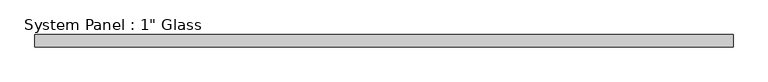
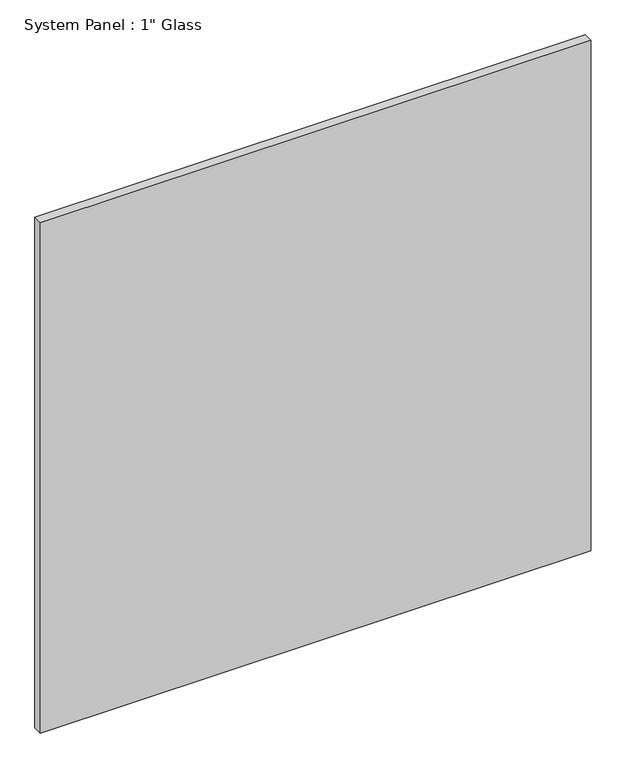
"""IFC4 building model written with IfcOpenShell, lengths in millimetres: plate geometry."""

from ifc_helpers import new_model, si_unit, origin, origin_with_axes, place, context, project, spatial, polyline, outline, extrude, source, transform, mapped, element, save


def plate_d9cc3535(model_context):
    return source(origin(), model_context, "Body", "SweptSolid", [
        extrude(outline(polyline([(729.6720691, -12.7), (-729.6720691, -12.7), (-729.6720691, 12.7), (729.6720691, 12.7), (729.6720691, -12.7)])), origin_with_axes(), (0.0, 0.0, 1.0), 1431.2917704),
    ])


if __name__ == "__main__":
    model = new_model("IFC4")
    model_context = context("Model", 3, world=origin())
    ifc_project = project(units=[si_unit("LENGTHUNIT", "METRE", prefix="MILLI")], contexts=[model_context])
    site = spatial("IfcSite", under=ifc_project)
    building = spatial("IfcBuilding", under=site)
    placement = place(None, origin())
    plate_shape = plate_d9cc3535(model_context)
    element("IfcPlate", 1, ObjectType="System Panel : 1\" Glass", at=placement, inside=building, context=model_context, shape_type="MappedRepresentation", body=[
        mapped(plate_shape, transform((0.0, 0.0, 0.0), x_axis=(1.0, 0.0, 0.0), y_axis=(0.0, 1.0, 0.0), z_axis=(0.0, 0.0, 1.0))),
    ])
    save(model, "model.ifc")
